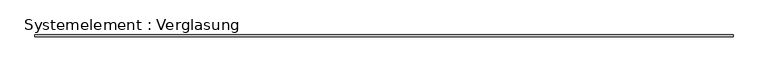
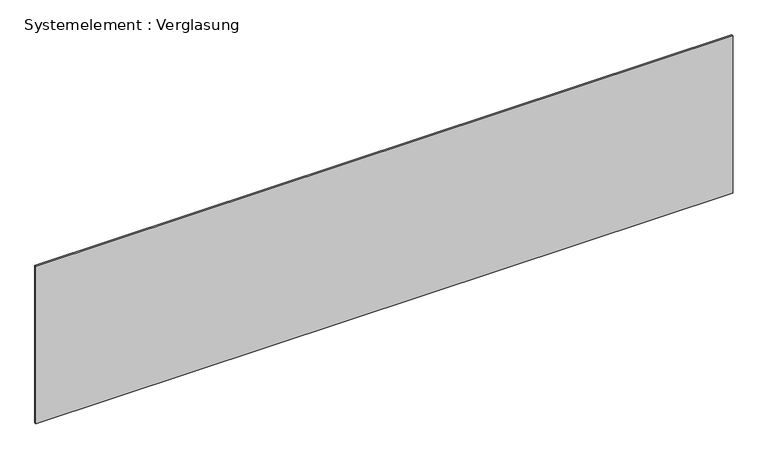
"""IFC4 building model written with IfcOpenShell, lengths in millimetres: plate geometry, Systemelement : Verglasung."""

from ifc_helpers import new_model, si_unit, origin, origin_with_axes, place, context, project, spatial, polyline, outline, extrude, source, transform, mapped, element, save


def systemelement_verglasung_ae6f437a(model_context):
    return source(origin(), model_context, "Body", "SweptSolid", [
        extrude(outline(polyline([(6202.2426055, -15.0), (-6202.2426055, -15.0), (-6202.2426055, 15.0), (6202.2426055, 15.0), (6202.2426055, -15.0)])), origin_with_axes(), (0.0, 0.0, 1.0), 2960.0),
    ])


if __name__ == "__main__":
    model = new_model("IFC4")
    model_context = context("Model", 3, world=origin())
    ifc_project = project(units=[si_unit("LENGTHUNIT", "METRE", prefix="MILLI")], contexts=[model_context])
    site = spatial("IfcSite", under=ifc_project)
    building = spatial("IfcBuilding", under=site)
    placement = place(None, origin())
    systemelement_verglasung_shape = systemelement_verglasung_ae6f437a(model_context)
    element("IfcPlate", 1, ObjectType="Systemelement : Verglasung", at=placement, inside=building, context=model_context, shape_type="MappedRepresentation", body=[
        mapped(systemelement_verglasung_shape, transform((0.0, 0.0, 0.0), x_axis=(1.0, 0.0, 0.0), y_axis=(0.0, 1.0, 0.0), z_axis=(0.0, 0.0, 1.0))),
    ])
    save(model, "model.ifc")
